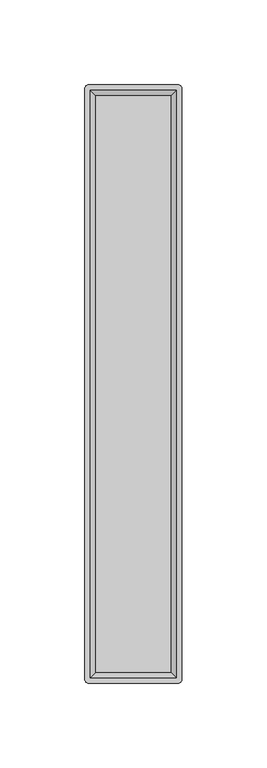
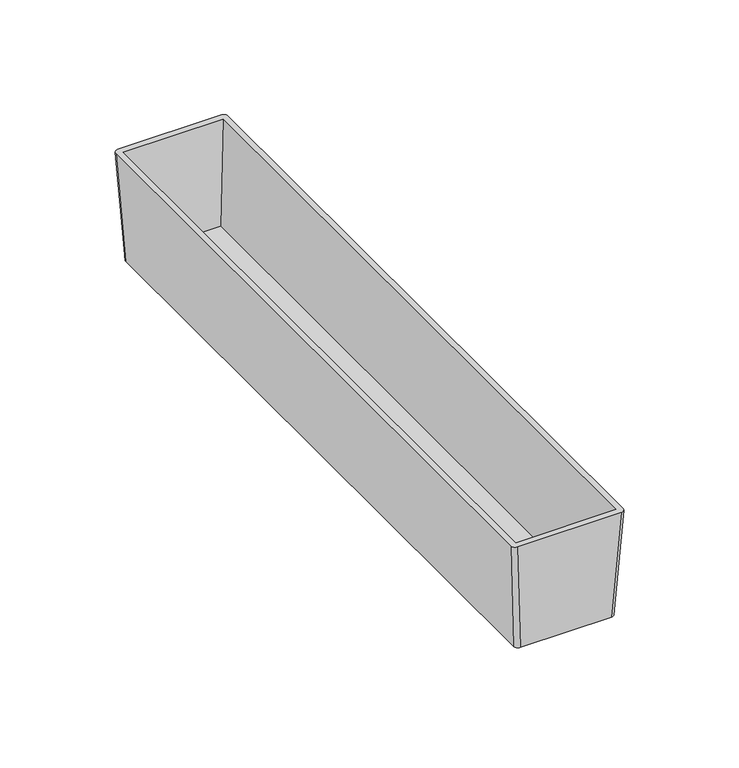
"""IFC4 building model written with IfcOpenShell, lengths in millimetres: furniture geometry."""

from ifc_helpers import new_model, si_unit, point, frame, origin, place, context, project, spatial, circle_curve, trimmed, source, transform, mapped, element, save
from ifc_brep_helpers import plane_surface, extruded_surface, advanced_brep


def furniture_1a8ac4d9(model_context):
    return source(origin(), model_context, "Body", "AdvancedBrep", [
        advanced_brep(
        [(23.1775, 173.0375, 704.85), (25.4, 170.815, 704.85), (25.4, -170.815, 704.85), (23.1775, -173.0375, 704.85), (-23.1775, -173.0375, 704.85), (-25.4, -170.815, 704.85), (-25.4, 170.815, 704.85), (-23.1775, 173.0375, 704.85), (26.3525, 176.2125, 762.0), (-26.3525, 176.2125, 762.0), (-28.575, 173.99, 762.0), (-28.575, -173.99, 762.0), (-26.3525, -176.2125, 762.0), (26.3525, -176.2125, 762.0), (28.575, -173.99, 762.0), (28.575, 173.99, 762.0), (-25.4, 173.0375, 762.0), (25.4, 173.0375, 762.0), (25.4, -173.0375, 762.0), (-25.4, -173.0375, 762.0), (22.225, 169.8625, 707.39), (-22.225, 169.8625, 707.39), (-22.225, -169.8625, 707.39), (22.225, -169.8625, 707.39)],
        [
            (0, 1, circle_curve(frame((23.1775, 170.815, 704.85), z_axis=(0.0, 0.0, -1.0), x_axis=(-1.0, 0.0, 0.0)), 2.2225)),
            (1, 2),
            (2, 3, circle_curve(frame((23.1775, -170.815, 704.85), z_axis=(0.0, 0.0, -1.0), x_axis=(-1.0, 0.0, 0.0)), 2.2225)),
            (3, 4),
            (4, 5, circle_curve(frame((-23.1775, -170.815, 704.85), z_axis=(0.0, 0.0, -1.0), x_axis=(-1.0, 0.0, 0.0)), 2.2225)),
            (5, 6),
            (6, 7, circle_curve(frame((-23.1775, 170.815, 704.85), z_axis=(0.0, 0.0, -1.0), x_axis=(-1.0, 0.0, 0.0)), 2.2225)),
            (7, 0),
            (8, 9),
            (9, 10, circle_curve(frame((-26.3525, 173.99, 762.0), z_axis=(0.0, 0.0, 1.0), x_axis=(-1.0, 0.0, 0.0)), 2.2225)),
            (10, 11),
            (11, 12, circle_curve(frame((-26.3525, -173.99, 762.0), z_axis=(0.0, 0.0, 1.0), x_axis=(-1.0, 0.0, 0.0)), 2.2225)),
            (12, 13),
            (13, 14, circle_curve(frame((26.3525, -173.99, 762.0), z_axis=(0.0, 0.0, 1.0), x_axis=(-1.0, 0.0, 0.0)), 2.2225)),
            (14, 15),
            (15, 8, circle_curve(frame((26.3525, 173.99, 762.0), z_axis=(0.0, 0.0, 1.0), x_axis=(-1.0, 0.0, 0.0)), 2.2225)),
            (16, 17),
            (17, 18),
            (18, 19),
            (19, 16),
            (7, 9),
            (8, 0),
            (6, 10),
            (5, 11),
            (4, 12),
            (3, 13),
            (2, 14),
            (1, 15),
            (20, 21),
            (21, 22),
            (22, 23),
            (23, 20),
            (20, 17),
            (16, 21),
            (19, 22),
            (18, 23),
        ],
        [
            plane_surface(frame((0.0, 0.0, 704.85), z_axis=(0.0, 0.0, -1.0), x_axis=(-1.0, 0.0, 0.0))),
            plane_surface(frame((0.0, 0.0, 762.0), z_axis=(0.0, 0.0, 1.0), x_axis=(-1.0, 0.0, 0.0))),
            plane_surface(frame((0.0, 176.2125, 762.0), z_axis=(0.0, 0.9984603532054985, -0.055470019620974004), x_axis=(1.0, 0.0, 0.0))),
            extruded_surface(trimmed(circle_curve(frame((-26.3525, 173.99, 762.0), z_axis=(0.0, 0.0, -1.0), x_axis=(-1.0, 0.0, 0.0)), 2.2225), [point((-28.575, 173.99, 762.0))], [point((-26.3525, 176.2125, 762.0))], True, "CARTESIAN"), (3.1750000000000007, -3.1750000000000114, -57.14999999999998), 57.326117520725205),
            plane_surface(frame((-28.575, 0.0, 762.0), z_axis=(-0.9984603532054228, 0.0, -0.05547001962233689), x_axis=(0.0, 1.0, 0.0))),
            extruded_surface(trimmed(circle_curve(frame((-26.3525, -173.99, 762.0), z_axis=(0.0, 0.0, -1.0), x_axis=(-1.0, 0.0, 0.0)), 2.2225), [point((-26.3525, -176.2125, 762.0))], [point((-28.575, -173.99, 762.0))], True, "CARTESIAN"), (3.1750000000000007, 3.1750000000000114, -57.14999999999998), 57.326117520725205),
            plane_surface(frame((0.0, -176.2125, 762.0), z_axis=(0.0, -0.9984603532054979, -0.05547001962098697), x_axis=(-1.0, 0.0, 0.0))),
            extruded_surface(trimmed(circle_curve(frame((26.3525, -173.99, 762.0), z_axis=(0.0, 0.0, -1.0), x_axis=(-1.0, 0.0, 0.0)), 2.2225), [point((28.575, -173.99, 762.0))], [point((26.3525, -176.2125, 762.0))], True, "CARTESIAN"), (-3.1750000000000007, 3.1750000000000114, -57.14999999999998), 57.326117520725205),
            plane_surface(frame((28.575, 0.0, 762.0), z_axis=(0.9984603532054152, 0.0, -0.055470019622474366), x_axis=(0.0, -1.0, 0.0))),
            extruded_surface(trimmed(circle_curve(frame((26.3525, 173.99, 762.0), z_axis=(0.0, 0.0, -1.0), x_axis=(-1.0, 0.0, 0.0)), 2.2225), [point((26.3525, 176.2125, 762.0))], [point((28.575, 173.99, 762.0))], True, "CARTESIAN"), (-3.1750000000000007, -3.1750000000000114, -57.14999999999998), 57.326117520725205),
            plane_surface(frame((0.0, 0.0, 707.39), z_axis=(0.0, 0.0, 1.0), x_axis=(-1.0, 0.0, 0.0))),
            plane_surface(frame((0.0, 173.0375, 762.0), z_axis=(0.0, -0.9983141698791151, 0.05804152150463695), x_axis=(1.0, 0.0, 0.0))),
            plane_surface(frame((-25.4, 0.0, 762.0), z_axis=(0.9983141698791163, 0.0, 0.05804152150461953), x_axis=(0.0, 1.0, 0.0))),
            plane_surface(frame((0.0, -173.0375, 762.0), z_axis=(0.0, 0.9983141698789251, 0.0580415215079058), x_axis=(-1.0, 0.0, 0.0))),
            plane_surface(frame((25.4, 0.0, 762.0), z_axis=(-0.998314169879097, 0.0, 0.05804152150494846), x_axis=(0.0, -1.0, 0.0))),
        ],
        [
            (0, [[1, 2, 3, 4, 5, 6, 7, 8]]),
            (1, [[9, 10, 11, 12, 13, 14, 15, 16], [17, 18, 19, 20]]),
            (2, [[-8, 21, -9, 22]]),
            (3, [[-7, 23, -10, -21]]),
            (4, [[-6, 24, -11, -23]]),
            (5, [[-5, 25, -12, -24]]),
            (6, [[-4, 26, -13, -25]]),
            (7, [[-3, 27, -14, -26]]),
            (8, [[-2, 28, -15, -27]]),
            (9, [[-1, -22, -16, -28]]),
            (10, [[29, 30, 31, 32]]),
            (11, [[-29, 33, -17, 34]]),
            (12, [[-30, -34, -20, 35]]),
            (13, [[-31, -35, -19, 36]]),
            (14, [[-32, -36, -18, -33]]),
        ],
    ),
    ])


if __name__ == "__main__":
    model = new_model("IFC4")
    model_context = context("Model", 3, world=origin())
    ifc_project = project(units=[si_unit("LENGTHUNIT", "METRE", prefix="MILLI")], contexts=[model_context])
    site = spatial("IfcSite", under=ifc_project)
    building = spatial("IfcBuilding", under=site)
    placement = place(None, origin())
    furniture_shape = furniture_1a8ac4d9(model_context)
    element("IfcFurniture", 1, at=placement, inside=building, context=model_context, shape_type="MappedRepresentation", body=[
        mapped(furniture_shape, transform((0.0, 0.0, 0.0), x_axis=(1.0, 0.0, 0.0), y_axis=(0.0, 1.0, 0.0), z_axis=(0.0, 0.0, 1.0))),
    ])
    save(model, "model.ifc")
